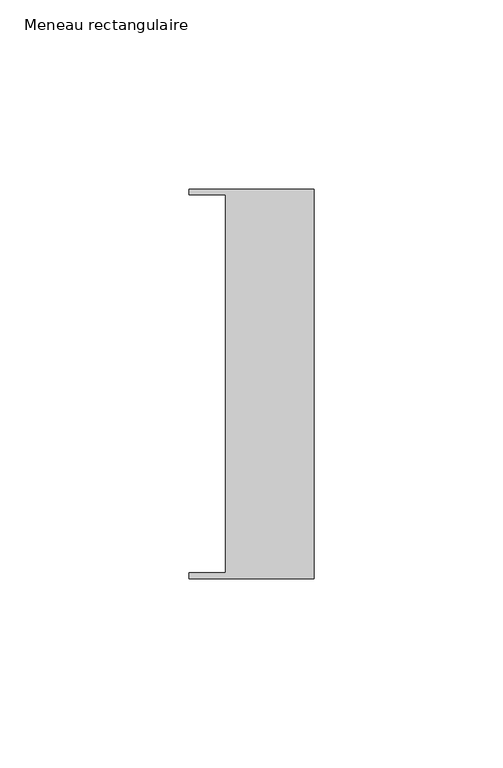
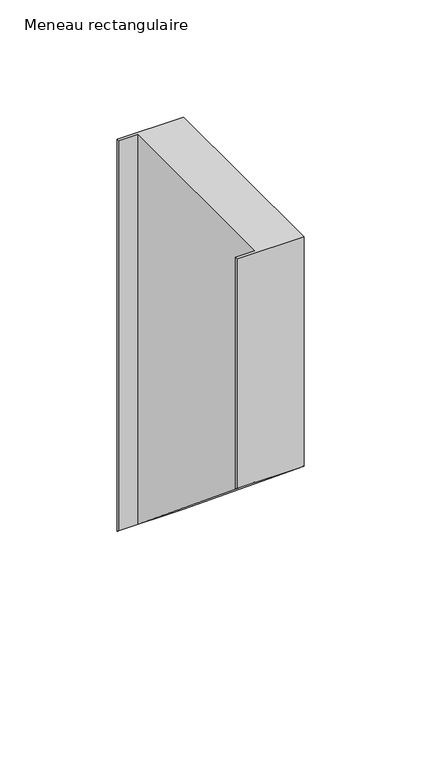
"""IFC4 building model written with IfcOpenShell, lengths in millimetres: member geometry, Meneau rectangulaire."""

from ifc_helpers import new_model, si_unit, origin, place, context, project, spatial, faceted_brep, source, transform, mapped, element, save


def meneau_rectangulaire_1867cf4a(model_context):
    return source(origin(), model_context, "Body", "Brep", [
        faceted_brep([(-33.0, 51.4622428, 0.0), (-33.0, 49.9614402, 0.0), (-23.4, 49.9614402, 0.0), (-23.4, -49.9505712, 0.0), (-33.0, -49.9505712, 0.0), (-33.0, -51.4712299, 0.0), (0.0, -51.4712299, 0.0), (0.0, 51.4622428, 0.0), (-23.4, 49.9614402, -203.257802), (-23.4, -49.9505712, -120.8966956), (-33.0, -51.4712299, -119.6431613), (0.0, -51.4712299, -119.6431613), (0.0, 51.4622428, -204.4949682), (-33.0, 51.4622428, -204.4949682), (-33.0, -49.9505712, -120.8966956), (-33.0, 49.9614402, -203.257802)], [[[0, 1, 2, 3, 4, 5, 6, 7]], [[3, 2, 8, 9]], [[6, 5, 10, 11]], [[7, 6, 11, 12]], [[0, 7, 12, 13]], [[13, 12, 11, 10, 14, 9, 8, 15]], [[1, 0, 13, 15]], [[2, 1, 15, 8]], [[4, 3, 9, 14]], [[5, 4, 14, 10]]]),
    ])


if __name__ == "__main__":
    model = new_model("IFC4")
    model_context = context("Model", 3, world=origin())
    ifc_project = project(units=[si_unit("LENGTHUNIT", "METRE", prefix="MILLI")], contexts=[model_context])
    site = spatial("IfcSite", under=ifc_project)
    building = spatial("IfcBuilding", under=site)
    placement = place(None, origin())
    meneau_rectangulaire_shape = meneau_rectangulaire_1867cf4a(model_context)
    element("IfcMember", 1, ObjectType="Meneau rectangulaire", at=placement, inside=building, context=model_context, shape_type="MappedRepresentation", body=[
        mapped(meneau_rectangulaire_shape, transform((0.0, 0.0, 0.0), x_axis=(1.0, 0.0, 0.0), y_axis=(0.0, 1.0, 0.0), z_axis=(0.0, 0.0, 1.0))),
    ])
    save(model, "model.ifc")
